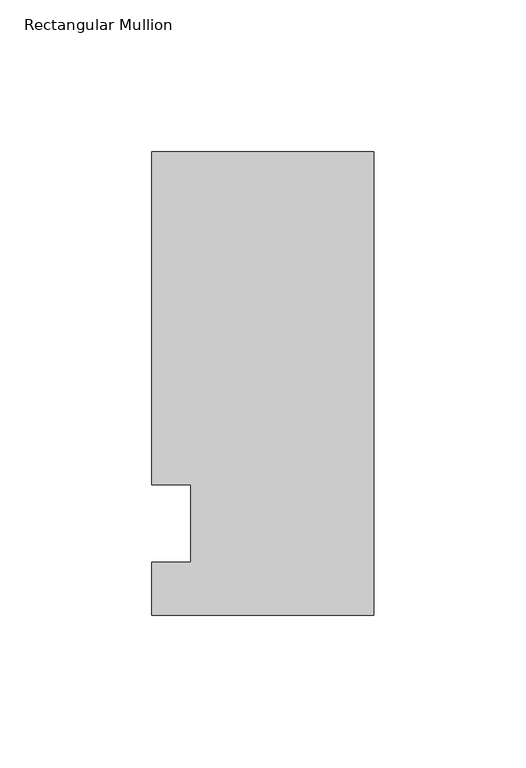
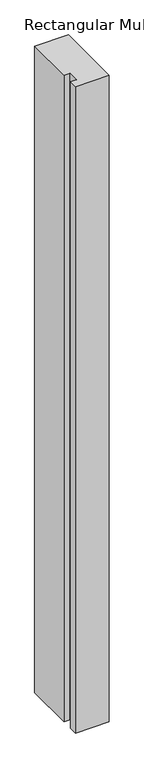
"""IFC4 building model written with IfcOpenShell, lengths in millimetres: member geometry, Rectangular Mullion."""

import ifcopenshell
import ifcopenshell.guid

model = None  # the IFC model being written
_history = None  # IfcOwnerHistory: only IFC2X3 demands one
_inside = {}  # id of a spatial element -> (the spatial element, [elements in it])
_under = {}  # id of a project, library or spatial element -> (it, [spatial elements below it])
_declared = {}  # id of a project -> (the project, [libraries it declares])
_typed = {}  # id of a type object -> (the type object, [elements of that type])
_made_of = {}  # id of a material, layer set ... -> (it, [elements and type objects made of it])


def new_model(schema):
    """Start an empty IFC model of exactly this schema.

    Asked for "IFC4X3", IfcOpenShell would pick the latest addendum, in which some entities
    have other attributes; the version numbers below select the first issue.
    IFC2X3 requires an IfcOwnerHistory on every rooted entity: one is made here for all.
    """
    global model, _history
    if schema == "IFC4X3":
        model = ifcopenshell.file(schema_version=(4, 3, 0, 0))
    else:
        model = ifcopenshell.file(schema=schema)
    _inside.clear()
    _under.clear()
    _declared.clear()
    _typed.clear()
    _made_of.clear()
    _history = None
    if model.schema == "IFC2X3":
        org = make("IfcOrganization", Name="unknown")
        user = make(
            "IfcPersonAndOrganization",
            ThePerson=make("IfcPerson", FamilyName="unknown"),
            TheOrganization=org,
        )
        app = make(
            "IfcApplication",
            ApplicationDeveloper=org,
            Version="unknown",
            ApplicationFullName="unknown",
            ApplicationIdentifier="unknown",
        )
        _history = make(
            "IfcOwnerHistory",
            OwningUser=user,
            OwningApplication=app,
            ChangeAction="ADDED",
            CreationDate=0,
        )
    return model


def make(cls, **values):
    """One entity of the class cls with the attributes given. An attribute that is None is left unset."""
    return model.create_entity(
        cls, **{name: value for name, value in values.items() if value is not None}
    )


def rooted(cls, **values):
    """An entity with a GlobalId (a new one), such as an element, a storey or a relation."""
    return make(cls, GlobalId=ifcopenshell.guid.new(), OwnerHistory=_history, **values)


def si_unit(unit_type, name, prefix=None):
    """IfcSIUnit, for example si_unit("LENGTHUNIT", "METRE", prefix="MILLI")."""
    return make("IfcSIUnit", UnitType=unit_type, Prefix=prefix, Name=name)


def assignment(units):
    """IfcUnitAssignment: the units of a project."""
    return None if units is None else make("IfcUnitAssignment", Units=units)


def point(xyz):
    """IfcCartesianPoint."""
    return None if xyz is None else make("IfcCartesianPoint", Coordinates=xyz)


def direction(xyz):
    """IfcDirection."""
    return None if xyz is None else make("IfcDirection", DirectionRatios=xyz)


def frame(location, z_axis=None, x_axis=None):
    """IfcAxis2Placement3D, a coordinate frame: its origin and axes. An axis left out is left unset."""
    return make(
        "IfcAxis2Placement3D",
        Location=point(location),
        Axis=direction(z_axis),
        RefDirection=direction(x_axis),
    )


def origin():
    """The frame at (0, 0, 0) with its axes left unset."""
    return frame((0.0, 0.0, 0.0))


def place(relative_to, where):
    """IfcLocalPlacement: puts the frame where relative to a parent placement (None: the world)."""
    return make(
        "IfcLocalPlacement", PlacementRelTo=relative_to, RelativePlacement=where
    )


def context(
    kind, dimensions, precision=None, world=None, true_north=None, identifier=None
):
    """IfcGeometricRepresentationContext, for example the 3D "Model" context."""
    return make(
        "IfcGeometricRepresentationContext",
        ContextIdentifier=identifier,
        ContextType=kind,
        CoordinateSpaceDimension=dimensions,
        Precision=precision,
        WorldCoordinateSystem=world,
        TrueNorth=true_north,
    )


def project(units=None, contexts=None):
    """IfcProject with its units and contexts."""
    return rooted(
        "IfcProject",
        Name="project",
        RepresentationContexts=contexts,
        UnitsInContext=assignment(units),
    )


def spatial(cls, under=None, at=None, **own):
    """A site, building, storey or space (cls), placed at a placement, below another one or the project."""
    s = rooted(cls, ObjectPlacement=at, **own)
    if under is not None:
        _under.setdefault(under.id(), (under, []))[1].append(s)
    return s


def polyline(points):
    """IfcPolyline through the points."""
    return make("IfcPolyline", Points=[point(p) for p in points])


def outline(outer, holes=None, kind="AREA"):
    """IfcArbitraryClosedProfileDef: a profile drawn as a closed curve; with holes, ...WithVoids."""
    if holes is None:
        return make("IfcArbitraryClosedProfileDef", ProfileType=kind, OuterCurve=outer)
    return make(
        "IfcArbitraryProfileDefWithVoids",
        ProfileType=kind,
        OuterCurve=outer,
        InnerCurves=holes,
    )


def extrude(swept, where, along, depth):
    """IfcExtrudedAreaSolid: the profile swept, set in the frame where, extruded along a direction by depth."""
    return make(
        "IfcExtrudedAreaSolid",
        SweptArea=swept,
        Position=where,
        ExtrudedDirection=direction(along),
        Depth=depth,
    )


def shape(context_of_items, identifier, shape_type, items):
    """IfcShapeRepresentation: the items that make up one representation, for example the "Body"."""
    return make(
        "IfcShapeRepresentation",
        ContextOfItems=context_of_items,
        RepresentationIdentifier=identifier,
        RepresentationType=shape_type,
        Items=items,
    )


def source(mapping_origin, context_of_items, identifier, shape_type, items):
    """IfcRepresentationMap: a shape defined once, which mapped items show again and again."""
    return make(
        "IfcRepresentationMap",
        MappingOrigin=mapping_origin,
        MappedRepresentation=shape(context_of_items, identifier, shape_type, items),
    )


def transform(
    local_origin,
    x_axis=None,
    y_axis=None,
    z_axis=None,
    scale=None,
    scale2=None,
    scale3=None,
    uniform=True,
):
    """IfcCartesianTransformationOperator3D, or its non-uniform kind. x_axis, y_axis, z_axis: its Axis1, 2, 3."""
    if uniform:
        return make(
            "IfcCartesianTransformationOperator3D",
            Axis1=direction(x_axis),
            Axis2=direction(y_axis),
            LocalOrigin=point(local_origin),
            Scale=scale,
            Axis3=direction(z_axis),
        )
    return make(
        "IfcCartesianTransformationOperator3DnonUniform",
        Axis1=direction(x_axis),
        Axis2=direction(y_axis),
        LocalOrigin=point(local_origin),
        Scale=scale,
        Axis3=direction(z_axis),
        Scale2=scale2,
        Scale3=scale3,
    )


def mapped(mapping_source, mapping_target):
    """IfcMappedItem: shows the shape of a source again, moved by a transform."""
    return make(
        "IfcMappedItem", MappingSource=mapping_source, MappingTarget=mapping_target
    )


def made_of(thing, what):
    """Note that an element or type object is made of a material, layer set ...; save() writes the relation."""
    if what is not None:
        _made_of.setdefault(what.id(), (what, []))[1].append(thing)
    return thing


def element(
    cls,
    number,
    at=None,
    inside=None,
    cuts=None,
    type_object=None,
    material=None,
    context=None,
    identifier="Body",
    shape_type=None,
    held_by="IfcProductDefinitionShape",
    body=None,
    shapes=None,
    **own,
):
    """One element of the class cls, such as IfcWall. Its Tag is "e" and its number.

    at: its placement. inside: the storey or other place that contains it. cuts: it is an
    opening in that element (IfcRelVoidsElement). A single representation is given by context,
    identifier, shape_type and body (its items); several are given by shapes. held_by: the class
    of the entity that holds the representations. save() writes the other relations.
    """
    e = rooted(cls, Tag="e%d" % number, ObjectPlacement=at, **own)
    if body is not None:
        shapes = [shape(context, identifier, shape_type, body)]
    if shapes is not None:
        e.Representation = make(held_by, Representations=shapes)
    if inside is not None:
        _inside.setdefault(inside.id(), (inside, []))[1].append(e)
    if cuts is not None:
        rooted(
            "IfcRelVoidsElement", RelatingBuildingElement=cuts, RelatedOpeningElement=e
        )
    if type_object is not None:
        _typed.setdefault(type_object.id(), (type_object, []))[1].append(e)
    return made_of(e, material)


def aggregate(whole, parts):
    """IfcRelAggregates: a whole, such as a stair, and the parts it consists of."""
    return rooted("IfcRelAggregates", RelatingObject=whole, RelatedObjects=parts)


def save(model, path):
    """Write the relations noted so far, then the file.

    IfcRelAggregates (storeys below a building ...), IfcRelContainedInSpatialStructure (elements
    in a storey), IfcRelDefinesByType, IfcRelAssociatesMaterial and IfcRelDeclares: one each for
    every whole, place, type object, material and project.
    """
    for whole, parts in _under.values():
        aggregate(whole, parts)
    for where, things in _inside.values():
        rooted(
            "IfcRelContainedInSpatialStructure",
            RelatedElements=things,
            RelatingStructure=where,
        )
    for kind, things in _typed.values():
        rooted("IfcRelDefinesByType", RelatedObjects=things, RelatingType=kind)
    for what, things in _made_of.values():
        rooted("IfcRelAssociatesMaterial", RelatedObjects=things, RelatingMaterial=what)
    for by, libraries in _declared.values():
        rooted("IfcRelDeclares", RelatingContext=by, RelatedDefinitions=libraries)
    model.write(path)


def rectangular_mullion_9f8d71aa(model_context):
    return source(origin(), model_context, "Body", "SweptSolid", [
        extrude(outline(polyline([(-73.025, 122.2375), (0.0, 122.2375), (0.0, -30.1625), (-73.025, -30.1625), (-73.025, -12.7), (-60.3232296, -12.7), (-60.3232296, 12.7), (-73.025, 12.7), (-73.025, 122.2375)])), frame((0.0, 0.0, -1478.28), z_axis=(0.0, 0.0, 1.0), x_axis=(1.0, 0.0, 0.0)), (0.0, 0.0, 1.0), 1478.28),
    ])


if __name__ == "__main__":
    model = new_model("IFC4")
    model_context = context("Model", 3, world=origin())
    ifc_project = project(units=[si_unit("LENGTHUNIT", "METRE", prefix="MILLI")], contexts=[model_context])
    site = spatial("IfcSite", under=ifc_project)
    building = spatial("IfcBuilding", under=site)
    placement = place(None, origin())
    rectangular_mullion_shape = rectangular_mullion_9f8d71aa(model_context)
    element("IfcMember", 1, ObjectType="Rectangular Mullion", at=placement, inside=building, context=model_context, shape_type="MappedRepresentation", body=[
        mapped(rectangular_mullion_shape, transform((0.0, 0.0, 0.0), x_axis=(1.0, 0.0, 0.0), y_axis=(0.0, 1.0, 0.0), z_axis=(0.0, 0.0, 1.0))),
    ])
    save(model, "model.ifc")
